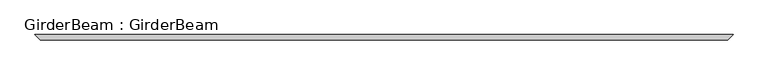
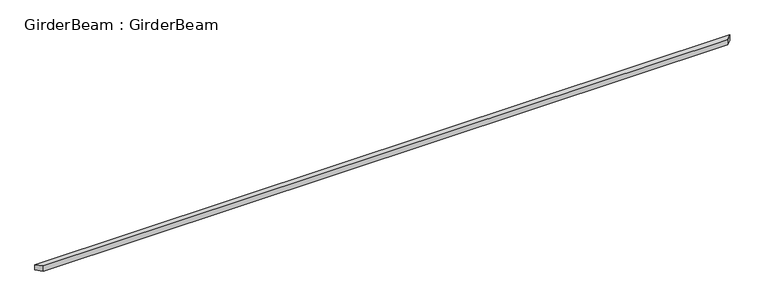
"""IFC4 building model written with IfcOpenShell, lengths in millimetres: beam geometry, GirderBeam : GirderBeam."""

from ifc_helpers import new_model, si_unit, frame, origin, place, context, project, spatial, polyline, outline, extrude, source, transform, mapped, element, save


def girderbeam_girderbeam_58e8b67b(model_context):
    return source(origin(), model_context, "Body", "SweptSolid", [
        extrude(outline(polyline([(6258.9523368, -48.9899496), (-6258.9523368, -48.9899496), (-6356.9322359, 48.9899496), (6356.9322359, 48.9899496), (6258.9523368, -48.9899496)])), frame((0.0, 0.0, -250.0), z_axis=(0.0, 0.0, 1.0), x_axis=(1.0, 0.0, 0.0)), (0.0, 0.0, 1.0), 100.0),
    ])


if __name__ == "__main__":
    model = new_model("IFC4")
    model_context = context("Model", 3, world=origin())
    ifc_project = project(units=[si_unit("LENGTHUNIT", "METRE", prefix="MILLI")], contexts=[model_context])
    site = spatial("IfcSite", under=ifc_project)
    building = spatial("IfcBuilding", under=site)
    placement = place(None, origin())
    girderbeam_girderbeam_shape = girderbeam_girderbeam_58e8b67b(model_context)
    element("IfcBeam", 1, ObjectType="GirderBeam : GirderBeam", at=placement, inside=building, context=model_context, shape_type="MappedRepresentation", body=[
        mapped(girderbeam_girderbeam_shape, transform((0.0, 0.0, 0.0), x_axis=(1.0, 0.0, 0.0), y_axis=(0.0, 1.0, 0.0), z_axis=(0.0, 0.0, 1.0))),
    ])
    save(model, "model.ifc")
